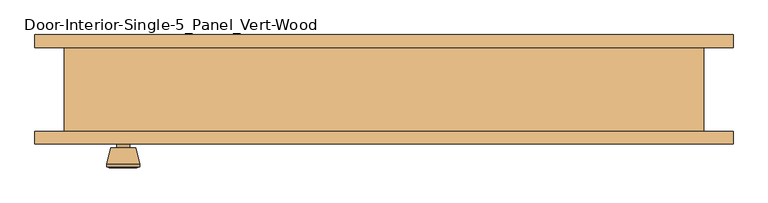
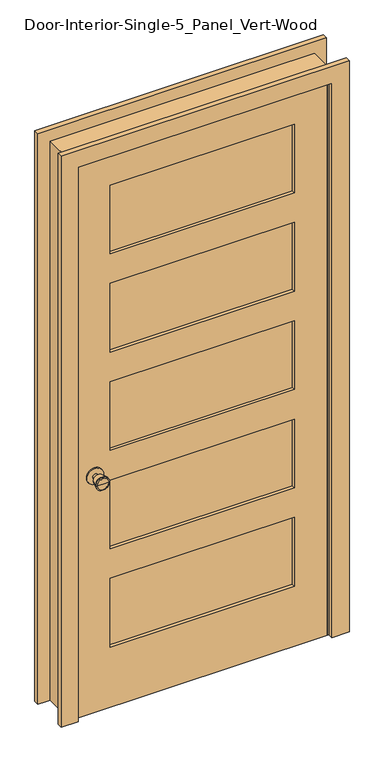
"""IFC4 building model written with IfcOpenShell, lengths in millimetres: door geometry, Door-Interior-Single-5_Panel_Vert-Wood."""

from ifc_helpers import new_model, si_unit, point, frame, frame_2d, origin, place, context, project, spatial, polyline, circle_curve, trimmed, segment, composite_curve, outline, extrude, faceted_brep, source, transform, mapped, element, save
from ifc_brep_helpers import plane_surface, cylinder_surface, revolved_surface, advanced_brep


def door_interior_single_5_panel_vert_wood_18d32886(model_context):
    return source(origin(), model_context, "Body", "SolidModel", [
        advanced_brep(
        [(-393.7, -19.4, 914.4), (-403.7, -19.4, 914.4), (-383.7, -19.4, 914.4), (-373.2241324, 29.6, 914.4), (-414.1758676, 29.6, 914.4), (-393.7, 29.6, 914.4), (-368.7, 27.7721319, 914.4), (-418.7, 27.7721319, 914.4), (-368.7, 24.3084537, 914.4), (-418.7, 24.3084537, 914.4), (-375.063764, -0.4, 914.4), (-412.336236, -0.4, 914.4), (-383.7, -0.4, 914.4), (-403.7, -0.4, 914.4)],
        [
            (0, 1),
            (1, 2, circle_curve(frame((-393.7, -19.4, 914.4), z_axis=(0.0, -1.0, 0.0), x_axis=(-1.0, 0.0, 0.0)), 10.0)),
            (2, 0),
            (2, 1, circle_curve(frame((-393.7, -19.4, 914.4), z_axis=(0.0, -1.0, 0.0), x_axis=(-1.0, 0.0, 0.0)), 10.0)),
            (3, 4, circle_curve(frame((-393.7, 29.6, 914.4), z_axis=(0.0, 1.0, 0.0), x_axis=(-1.0, 0.0, 0.0)), 20.4758676)),
            (4, 5),
            (5, 3),
            (4, 3, circle_curve(frame((-393.7, 29.6, 914.4), z_axis=(0.0, 1.0, 0.0), x_axis=(-1.0, 0.0, 0.0)), 20.4758676)),
            (6, 7, circle_curve(frame((-393.7, 27.7721319, 914.4), z_axis=(0.0, 1.0, 0.0), x_axis=(-1.0, 0.0, 0.0)), 25.0)),
            (7, 4),
            (3, 6),
            (7, 6, circle_curve(frame((-393.7, 27.7721319, 914.4), z_axis=(0.0, 1.0, 0.0), x_axis=(-1.0, 0.0, 0.0)), 25.0)),
            (8, 9, circle_curve(frame((-393.7, 24.3084537, 914.4), z_axis=(0.0, 1.0, 0.0), x_axis=(-1.0, 0.0, 0.0)), 25.0)),
            (9, 7),
            (6, 8),
            (9, 8, circle_curve(frame((-393.7, 24.3084537, 914.4), z_axis=(0.0, 1.0, 0.0), x_axis=(-1.0, 0.0, 0.0)), 25.0)),
            (10, 11, circle_curve(frame((-393.7, -0.4, 914.4), z_axis=(0.0, 1.0, 0.0), x_axis=(-1.0, 0.0, 0.0)), 18.636236)),
            (11, 9),
            (8, 10),
            (11, 10, circle_curve(frame((-393.7, -0.4, 914.4), z_axis=(0.0, 1.0, 0.0), x_axis=(-1.0, 0.0, 0.0)), 18.636236)),
            (12, 13, circle_curve(frame((-393.7, -0.4, 914.4), z_axis=(0.0, 1.0, 0.0), x_axis=(-1.0, 0.0, 0.0)), 10.0)),
            (13, 11),
            (10, 12),
            (13, 12, circle_curve(frame((-393.7, -0.4, 914.4), z_axis=(0.0, 1.0, 0.0), x_axis=(-1.0, 0.0, 0.0)), 10.0)),
            (1, 13),
            (12, 2),
        ],
        [
            plane_surface(frame((-393.7, -19.4, 914.4), z_axis=(0.0, -1.0, 0.0), x_axis=(-1.0, 0.0, 0.0))),
            plane_surface(frame((-393.7, 29.6, 914.4), z_axis=(0.0, 1.0, 0.0), x_axis=(-1.0, 0.0, 0.0))),
            revolved_surface(polyline([(-414.1758676, 29.6, 914.4), (-418.7, 27.7721319, 914.4)]), (-393.7, -19.4, 914.4), (0.0, -1.0, 0.0)),
            cylinder_surface(frame((-393.7, -19.4, 914.4), z_axis=(0.0, -1.0, 0.0), x_axis=(-1.0, 0.0, 0.0)), 25.0),
            revolved_surface(polyline([(-418.7, 24.3084537, 914.4), (-412.336236, -0.4, 914.4)]), (-393.7, -19.4, 914.4), (0.0, -1.0, 0.0)),
            plane_surface(frame((-393.7, -0.4, 914.4), z_axis=(0.0, -1.0, 0.0), x_axis=(-1.0, 0.0, 0.0))),
            cylinder_surface(frame((-393.7, -19.4, 914.4), z_axis=(0.0, -1.0, 0.0), x_axis=(-1.0, 0.0, 0.0)), 10.0),
        ],
        [
            (0, [[1, 2, 3]]),
            (0, [[-3, 4, -1]]),
            (1, [[5, 6, 7]]),
            (1, [[8, -7, -6]]),
            (2, [[9, 10, -5, 11]]),
            (2, [[12, -11, -8, -10]]),
            (3, [[13, 14, -9, 15]]),
            (3, [[16, -15, -12, -14]]),
            (4, [[17, 18, -13, 19]]),
            (4, [[20, -19, -16, -18]]),
            (5, [[21, 22, -17, 23]]),
            (5, [[24, -23, -20, -22]]),
            (6, [[-2, 25, -21, 26]]),
            (6, [[-4, -26, -24, -25]]),
        ],
    ),
        extrude(outline(composite_curve([segment(trimmed(circle_curve(frame_2d((914.4, -393.7)), 30.0), [point((914.4, -423.7))], [point((914.4, -363.7))], False, "CARTESIAN"), True, "CONTINUOUS"), segment(trimmed(circle_curve(frame_2d((914.4, -393.7)), 30.0), [point((914.4, -363.7))], [point((914.4, -423.7))], False, "CARTESIAN"), True, "CONTINUOUS")], self_intersect=False)), frame((0.0, -25.4, 0.0), z_axis=(0.0, 1.0, 0.0), x_axis=(0.0, 0.0, 1.0)), (0.0, 0.0, 1.0), 6.0),
        advanced_brep(
        [(-393.7, -66.325, 914.4), (-383.7, -66.325, 914.4), (-403.7, -66.325, 914.4), (-373.2241324, -115.325, 914.4), (-393.7, -115.325, 914.4), (-414.1758676, -115.325, 914.4), (-368.7, -113.4971319, 914.4), (-418.7, -113.4971319, 914.4), (-368.7, -110.0334537, 914.4), (-418.7, -110.0334537, 914.4), (-375.063764, -85.325, 914.4), (-412.336236, -85.325, 914.4), (-383.7, -85.325, 914.4), (-403.7, -85.325, 914.4)],
        [
            (0, 1),
            (1, 2, circle_curve(frame((-393.7, -66.325, 914.4), z_axis=(0.0, 1.0, 0.0), x_axis=(-1.0, 0.0, 0.0)), 10.0)),
            (2, 0),
            (2, 1, circle_curve(frame((-393.7, -66.325, 914.4), z_axis=(0.0, 1.0, 0.0), x_axis=(-1.0, 0.0, 0.0)), 10.0)),
            (3, 4),
            (4, 5),
            (5, 3, circle_curve(frame((-393.7, -115.325, 914.4), z_axis=(0.0, -1.0, 0.0), x_axis=(-1.0, 0.0, 0.0)), 20.4758676)),
            (3, 5, circle_curve(frame((-393.7, -115.325, 914.4), z_axis=(0.0, -1.0, 0.0), x_axis=(-1.0, 0.0, 0.0)), 20.4758676)),
            (6, 3),
            (5, 7),
            (7, 6, circle_curve(frame((-393.7, -113.4971319, 914.4), z_axis=(0.0, -1.0, 0.0), x_axis=(-1.0, 0.0, 0.0)), 25.0)),
            (6, 7, circle_curve(frame((-393.7, -113.4971319, 914.4), z_axis=(0.0, -1.0, 0.0), x_axis=(-1.0, 0.0, 0.0)), 25.0)),
            (8, 6),
            (7, 9),
            (9, 8, circle_curve(frame((-393.7, -110.0334537, 914.4), z_axis=(0.0, -1.0, 0.0), x_axis=(-1.0, 0.0, 0.0)), 25.0)),
            (8, 9, circle_curve(frame((-393.7, -110.0334537, 914.4), z_axis=(0.0, -1.0, 0.0), x_axis=(-1.0, 0.0, 0.0)), 25.0)),
            (10, 8),
            (9, 11),
            (11, 10, circle_curve(frame((-393.7, -85.325, 914.4), z_axis=(0.0, -1.0, 0.0), x_axis=(-1.0, 0.0, 0.0)), 18.636236)),
            (10, 11, circle_curve(frame((-393.7, -85.325, 914.4), z_axis=(0.0, -1.0, 0.0), x_axis=(-1.0, 0.0, 0.0)), 18.636236)),
            (12, 10),
            (11, 13),
            (13, 12, circle_curve(frame((-393.7, -85.325, 914.4), z_axis=(0.0, -1.0, 0.0), x_axis=(-1.0, 0.0, 0.0)), 10.0)),
            (12, 13, circle_curve(frame((-393.7, -85.325, 914.4), z_axis=(0.0, -1.0, 0.0), x_axis=(-1.0, 0.0, 0.0)), 10.0)),
            (1, 12),
            (13, 2),
        ],
        [
            plane_surface(frame((-393.7, -66.325, 914.4), z_axis=(0.0, 1.0, 0.0), x_axis=(-1.0, 0.0, 0.0))),
            plane_surface(frame((-393.7, -115.325, 914.4), z_axis=(0.0, -1.0, 0.0), x_axis=(-1.0, 0.0, 0.0))),
            revolved_surface(polyline([(-414.1758676, -115.325, 914.4), (-418.7, -113.4971319, 914.4)]), (-393.7, -66.325, 914.4), (0.0, 1.0, 0.0)),
            cylinder_surface(frame((-393.7, -66.325, 914.4), z_axis=(0.0, 1.0, 0.0), x_axis=(-1.0, 0.0, 0.0)), 25.0),
            revolved_surface(polyline([(-418.7, -110.0334537, 914.4), (-412.336236, -85.325, 914.4)]), (-393.7, -66.325, 914.4), (0.0, 1.0, 0.0)),
            plane_surface(frame((-393.7, -85.325, 914.4), z_axis=(0.0, 1.0, 0.0), x_axis=(-1.0, 0.0, 0.0))),
            cylinder_surface(frame((-393.7, -66.325, 914.4), z_axis=(0.0, 1.0, 0.0), x_axis=(-1.0, 0.0, 0.0)), 10.0),
        ],
        [
            (0, [[1, 2, 3]]),
            (0, [[-3, 4, -1]]),
            (1, [[5, 6, 7]]),
            (1, [[-6, -5, 8]]),
            (2, [[9, -7, 10, 11]]),
            (2, [[-10, -8, -9, 12]]),
            (3, [[13, -11, 14, 15]]),
            (3, [[-14, -12, -13, 16]]),
            (4, [[17, -15, 18, 19]]),
            (4, [[-18, -16, -17, 20]]),
            (5, [[21, -19, 22, 23]]),
            (5, [[-22, -20, -21, 24]]),
            (6, [[25, -23, 26, -2]]),
            (6, [[-26, -24, -25, -4]]),
        ],
    ),
        extrude(outline(composite_curve([segment(trimmed(circle_curve(frame_2d((914.4, -393.7)), 30.0), [point((914.4, -423.7))], [point((914.4, -363.7))], False, "CARTESIAN"), True, "CONTINUOUS"), segment(trimmed(circle_curve(frame_2d((914.4, -393.7)), 30.0), [point((914.4, -363.7))], [point((914.4, -423.7))], False, "CARTESIAN"), True, "CONTINUOUS")], self_intersect=False)), frame((0.0, -66.325, 0.0), z_axis=(0.0, 1.0, 0.0), x_axis=(0.0, 0.0, 1.0)), (0.0, 0.0, 1.0), 6.0),
        faceted_brep([(482.6, -60.325, 0.0), (457.2, -60.325, 0.0), (457.2, -25.4, 0.0), (444.5, -25.4, 0.0), (444.5, 9.525, 0.0), (457.2, 9.525, 0.0), (457.2, 66.675, 0.0), (482.6, 66.675, 0.0), (482.6, 66.675, 2159.0), (482.6, -60.325, 2159.0), (457.2, 66.675, 2133.6), (-457.2, 66.675, 2133.6), (-457.2, 66.675, 0.0), (-482.6, 66.675, 0.0), (-482.6, 66.675, 2159.0), (457.2, 9.525, 2133.6), (444.5, 9.525, 2120.9), (-444.5, 9.525, 2120.9), (-444.5, 9.525, 0.0), (-457.2, 9.525, 0.0), (-457.2, 9.525, 2133.6), (444.5, -25.4, 2120.9), (457.2, -25.4, 2133.6), (-457.2, -25.4, 2133.6), (-457.2, -25.4, 0.0), (-444.5, -25.4, 0.0), (-444.5, -25.4, 2120.9), (457.2, -60.325, 2133.6), (-482.6, -60.325, 2159.0), (-482.6, -60.325, 0.0), (-457.2, -60.325, 0.0), (-457.2, -60.325, 2133.6)], [[[0, 1, 2, 3, 4, 5, 6, 7]], [[7, 8, 9, 0]], [[6, 10, 11, 12, 13, 14, 8, 7]], [[5, 15, 10, 6]], [[4, 16, 17, 18, 19, 20, 15, 5]], [[3, 21, 16, 4]], [[2, 22, 23, 24, 25, 26, 21, 3]], [[1, 27, 22, 2]], [[0, 9, 28, 29, 30, 31, 27, 1]], [[8, 14, 28, 9]], [[15, 20, 11, 10]], [[21, 26, 17, 16]], [[27, 31, 23, 22]], [[29, 13, 12, 19, 18, 25, 24, 30]], [[14, 13, 29, 28]], [[20, 19, 12, 11]], [[26, 25, 18, 17]], [[31, 30, 24, 23]]]),
        extrude(outline(polyline([(2133.6, -457.2), (0.0, -457.2), (0.0, 457.2), (2133.6, 457.2), (2133.6, -457.2)]), holes=[polyline([(2014.5375, -336.55), (2014.5375, 336.55), (1749.425, 336.55), (1749.425, -336.55), (2014.5375, -336.55)]), polyline([(496.8875, -336.55), (496.8875, 336.55), (231.775, 336.55), (231.775, -336.55), (496.8875, -336.55)]), polyline([(1255.7125, -336.55), (1255.7125, 336.55), (990.6, 336.55), (990.6, -336.55), (1255.7125, -336.55)]), polyline([(1635.125, -336.55), (1635.125, 336.55), (1370.0125, 336.55), (1370.0125, -336.55), (1635.125, -336.55)]), polyline([(876.3, -336.55), (876.3, 336.55), (611.1875, 336.55), (611.1875, -336.55), (876.3, -336.55)])]), frame((0.0, -60.325, 0.0), z_axis=(0.0, 1.0, 0.0), x_axis=(0.0, 0.0, 1.0)), (0.0, 0.0, 1.0), 34.925),
        extrude(outline(polyline([(336.55, -37.0416667), (336.55, -48.6833333), (-336.55, -48.6833333), (-336.55, -37.0416667), (336.55, -37.0416667)])), frame((0.0, 0.0, 1749.425), z_axis=(0.0, 0.0, 1.0), x_axis=(1.0, 0.0, 0.0)), (0.0, 0.0, 1.0), 265.1125),
        extrude(outline(polyline([(336.55, -37.0416667), (336.55, -48.6833333), (-336.55, -48.6833333), (-336.55, -37.0416667), (336.55, -37.0416667)])), frame((0.0, 0.0, 1370.0125), z_axis=(0.0, 0.0, 1.0), x_axis=(1.0, 0.0, 0.0)), (0.0, 0.0, 1.0), 265.1125),
        extrude(outline(polyline([(336.55, -37.0416667), (336.55, -48.6833333), (-336.55, -48.6833333), (-336.55, -37.0416667), (336.55, -37.0416667)])), frame((0.0, 0.0, 611.1875), z_axis=(0.0, 0.0, 1.0), x_axis=(1.0, 0.0, 0.0)), (0.0, 0.0, 1.0), 265.1125),
        extrude(outline(polyline([(336.55, -37.0416667), (336.55, -48.6833333), (-336.55, -48.6833333), (-336.55, -37.0416667), (336.55, -37.0416667)])), frame((0.0, 0.0, 231.775), z_axis=(0.0, 0.0, 1.0), x_axis=(1.0, 0.0, 0.0)), (0.0, 0.0, 1.0), 265.1125),
        extrude(outline(polyline([(336.55, -37.0416667), (336.55, -48.6833333), (-336.55, -48.6833333), (-336.55, -37.0416667), (336.55, -37.0416667)])), frame((0.0, 0.0, 990.6), z_axis=(0.0, 0.0, 1.0), x_axis=(1.0, 0.0, 0.0)), (0.0, 0.0, 1.0), 265.1125),
        extrude(outline(polyline([(0.0, 527.05), (2203.45, 527.05), (2203.45, -527.05), (0.0, -527.05), (0.0, -463.55), (2139.95, -463.55), (2139.95, 463.55), (0.0, 463.55), (0.0, 527.05)])), frame((0.0, -79.375, 0.0), z_axis=(0.0, 1.0, 0.0), x_axis=(0.0, 0.0, 1.0)), (0.0, 0.0, 1.0), 19.05),
        extrude(outline(polyline([(0.0, 527.05), (2203.45, 527.05), (2203.45, -527.05), (0.0, -527.05), (0.0, -463.55), (2139.95, -463.55), (2139.95, 463.55), (0.0, 463.55), (0.0, 527.05)])), frame((0.0, 66.675, 0.0), z_axis=(0.0, 1.0, 0.0), x_axis=(0.0, 0.0, 1.0)), (0.0, 0.0, 1.0), 19.05),
    ])


if __name__ == "__main__":
    model = new_model("IFC4")
    model_context = context("Model", 3, world=origin())
    ifc_project = project(units=[si_unit("LENGTHUNIT", "METRE", prefix="MILLI")], contexts=[model_context])
    site = spatial("IfcSite", under=ifc_project)
    building = spatial("IfcBuilding", under=site)
    placement = place(None, origin())
    door_interior_single_5_panel_vert_wood_shape = door_interior_single_5_panel_vert_wood_18d32886(model_context)
    element("IfcDoor", 1, ObjectType="Door-Interior-Single-5_Panel_Vert-Wood", at=placement, inside=building, context=model_context, shape_type="MappedRepresentation", body=[
        mapped(door_interior_single_5_panel_vert_wood_shape, transform((0.0, 0.0, 0.0), x_axis=(1.0, 0.0, 0.0), y_axis=(0.0, 1.0, 0.0), z_axis=(0.0, 0.0, 1.0))),
    ])
    save(model, "model.ifc")
